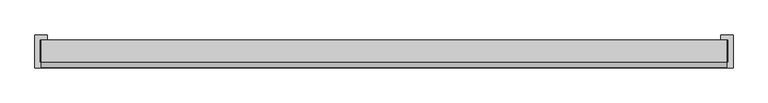
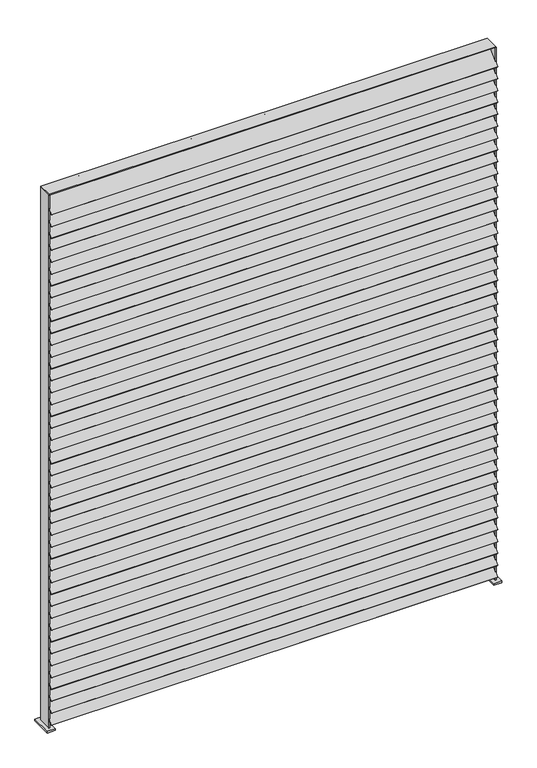
"""IFC4 building model written with IfcOpenShell, lengths in millimetres: railing geometry."""

from ifc_helpers import new_model, si_unit, point, frame, frame_2d, origin, place, context, project, spatial, polyline, circle_curve, trimmed, segment, composite_curve, outline, extrude, source, transform, mapped, element, save


def railing_a278fb8b(model_context):
    return source(origin(), model_context, "Body", "SweptSolid", [
        extrude(outline(polyline([(-21151.4109548, -19466.6793452), (-21151.4109548, -19415.8793452), (-19570.2609548, -19415.8793452), (-19570.2609548, -19466.6793452), (-21151.4109548, -19466.6793452)])), frame((0.0, 0.0, 7650.23108), z_axis=(0.0, 0.0, 1.0), x_axis=(1.0, 0.0, 0.0)), (0.0, 0.0, 1.0), 3.03784),
        extrude(outline(polyline([(0.0, -2.0319999), (0.0, 0.0), (1581.15, 0.0), (1581.15, -2.0319999), (0.0, -2.0319999)])), frame((-21151.4109548, -19477.9707539, 7643.7842504), z_axis=(0.0, 0.7071067811865459, 0.7071067811865492), x_axis=(1.0, 0.0, 0.0)), (0.0, 0.0, 1.0), 69.85),
        extrude(outline(polyline([(0.0, -2.0319999), (0.0, 0.0), (1581.15, 0.0), (1581.15, -2.0319999), (0.0, -2.0319999)])), frame((-21151.4109548, -19477.9707539, 7688.2342504), z_axis=(0.0, 0.7071067811865459, 0.7071067811865492), x_axis=(1.0, 0.0, 0.0)), (0.0, 0.0, 1.0), 69.85),
        extrude(outline(polyline([(0.0, -2.0319999), (0.0, 0.0), (1581.15, 0.0), (1581.15, -2.0319999), (0.0, -2.0319999)])), frame((-21151.4109548, -19477.9707539, 7732.6842504), z_axis=(0.0, 0.7071067811865459, 0.7071067811865492), x_axis=(1.0, 0.0, 0.0)), (0.0, 0.0, 1.0), 69.85),
        extrude(outline(polyline([(0.0, -2.0319999), (0.0, 0.0), (1581.15, 0.0), (1581.15, -2.0319999), (0.0, -2.0319999)])), frame((-21151.4109548, -19477.9707539, 7777.1342504), z_axis=(0.0, 0.7071067811865459, 0.7071067811865492), x_axis=(1.0, 0.0, 0.0)), (0.0, 0.0, 1.0), 69.85),
        extrude(outline(polyline([(0.0, -2.0319999), (0.0, 0.0), (1581.15, 0.0), (1581.15, -2.0319999), (0.0, -2.0319999)])), frame((-21151.4109548, -19477.9707539, 7821.5842504), z_axis=(0.0, 0.7071067811865459, 0.7071067811865492), x_axis=(1.0, 0.0, 0.0)), (0.0, 0.0, 1.0), 69.85),
        extrude(outline(polyline([(0.0, -2.0319999), (0.0, 0.0), (1581.15, 0.0), (1581.15, -2.0319999), (0.0, -2.0319999)])), frame((-21151.4109548, -19477.9707539, 7866.0342504), z_axis=(0.0, 0.7071067811865459, 0.7071067811865492), x_axis=(1.0, 0.0, 0.0)), (0.0, 0.0, 1.0), 69.85),
        extrude(outline(polyline([(0.0, -2.0319999), (0.0, 0.0), (1581.15, 0.0), (1581.15, -2.0319999), (0.0, -2.0319999)])), frame((-21151.4109548, -19477.9707539, 7910.4842504), z_axis=(0.0, 0.7071067811865459, 0.7071067811865492), x_axis=(1.0, 0.0, 0.0)), (0.0, 0.0, 1.0), 69.85),
        extrude(outline(polyline([(0.0, -2.0319999), (0.0, 0.0), (1581.15, 0.0), (1581.15, -2.0319999), (0.0, -2.0319999)])), frame((-21151.4109548, -19477.9707539, 7954.9342504), z_axis=(0.0, 0.7071067811865459, 0.7071067811865492), x_axis=(1.0, 0.0, 0.0)), (0.0, 0.0, 1.0), 69.85),
        extrude(outline(polyline([(0.0, -2.0319999), (0.0, 0.0), (1581.15, 0.0), (1581.15, -2.0319999), (0.0, -2.0319999)])), frame((-21151.4109548, -19477.9707539, 7999.3842504), z_axis=(0.0, 0.7071067811865459, 0.7071067811865492), x_axis=(1.0, 0.0, 0.0)), (0.0, 0.0, 1.0), 69.85),
        extrude(outline(polyline([(0.0, -2.0319999), (0.0, 0.0), (1581.15, 0.0), (1581.15, -2.0319999), (0.0, -2.0319999)])), frame((-21151.4109548, -19477.9707539, 8043.8342504), z_axis=(0.0, 0.7071067811865459, 0.7071067811865492), x_axis=(1.0, 0.0, 0.0)), (0.0, 0.0, 1.0), 69.85),
        extrude(outline(polyline([(0.0, -2.0319999), (0.0, 0.0), (1581.15, 0.0), (1581.15, -2.0319999), (0.0, -2.0319999)])), frame((-21151.4109548, -19477.9707539, 8088.2842504), z_axis=(0.0, 0.7071067811865459, 0.7071067811865492), x_axis=(1.0, 0.0, 0.0)), (0.0, 0.0, 1.0), 69.85),
        extrude(outline(polyline([(0.0, -2.0319999), (0.0, 0.0), (1581.15, 0.0), (1581.15, -2.0319999), (0.0, -2.0319999)])), frame((-21151.4109548, -19477.9707539, 8132.7342504), z_axis=(0.0, 0.7071067811865459, 0.7071067811865492), x_axis=(1.0, 0.0, 0.0)), (0.0, 0.0, 1.0), 69.85),
        extrude(outline(polyline([(0.0, -2.0319999), (0.0, 0.0), (1581.15, 0.0), (1581.15, -2.0319999), (0.0, -2.0319999)])), frame((-21151.4109548, -19477.9707539, 8177.1842504), z_axis=(0.0, 0.7071067811865459, 0.7071067811865492), x_axis=(1.0, 0.0, 0.0)), (0.0, 0.0, 1.0), 69.85),
        extrude(outline(polyline([(0.0, -2.0319999), (0.0, 0.0), (1581.15, 0.0), (1581.15, -2.0319999), (0.0, -2.0319999)])), frame((-21151.4109548, -19477.9707539, 8221.6342504), z_axis=(0.0, 0.7071067811865459, 0.7071067811865492), x_axis=(1.0, 0.0, 0.0)), (0.0, 0.0, 1.0), 69.85),
        extrude(outline(polyline([(0.0, -2.0319999), (0.0, 0.0), (1581.15, 0.0), (1581.15, -2.0319999), (0.0, -2.0319999)])), frame((-21151.4109548, -19477.9707539, 8266.0842504), z_axis=(0.0, 0.7071067811865459, 0.7071067811865492), x_axis=(1.0, 0.0, 0.0)), (0.0, 0.0, 1.0), 69.85),
        extrude(outline(polyline([(0.0, -2.0319999), (0.0, 0.0), (1581.15, 0.0), (1581.15, -2.0319999), (0.0, -2.0319999)])), frame((-21151.4109548, -19477.9707539, 8310.5342504), z_axis=(0.0, 0.7071067811865459, 0.7071067811865492), x_axis=(1.0, 0.0, 0.0)), (0.0, 0.0, 1.0), 69.85),
        extrude(outline(polyline([(0.0, -2.0319999), (0.0, 0.0), (1581.15, 0.0), (1581.15, -2.0319999), (0.0, -2.0319999)])), frame((-21151.4109548, -19477.9707539, 8354.9842504), z_axis=(0.0, 0.7071067811865459, 0.7071067811865492), x_axis=(1.0, 0.0, 0.0)), (0.0, 0.0, 1.0), 69.85),
        extrude(outline(polyline([(0.0, -2.0319999), (0.0, 0.0), (1581.15, 0.0), (1581.15, -2.0319999), (0.0, -2.0319999)])), frame((-21151.4109548, -19477.9707539, 8399.4342504), z_axis=(0.0, 0.7071067811865459, 0.7071067811865492), x_axis=(1.0, 0.0, 0.0)), (0.0, 0.0, 1.0), 69.85),
        extrude(outline(polyline([(0.0, -2.0319999), (0.0, 0.0), (1581.15, 0.0), (1581.15, -2.0319999), (0.0, -2.0319999)])), frame((-21151.4109548, -19477.9707539, 8443.8842504), z_axis=(0.0, 0.7071067811865459, 0.7071067811865492), x_axis=(1.0, 0.0, 0.0)), (0.0, 0.0, 1.0), 69.85),
        extrude(outline(polyline([(0.0, -2.0319999), (0.0, 0.0), (1581.15, 0.0), (1581.15, -2.0319999), (0.0, -2.0319999)])), frame((-21151.4109548, -19477.9707539, 8488.3342504), z_axis=(0.0, 0.7071067811865459, 0.7071067811865492), x_axis=(1.0, 0.0, 0.0)), (0.0, 0.0, 1.0), 69.85),
        extrude(outline(polyline([(0.0, -2.0319999), (0.0, 0.0), (1581.15, 0.0), (1581.15, -2.0319999), (0.0, -2.0319999)])), frame((-21151.4109548, -19477.9707539, 8532.7842504), z_axis=(0.0, 0.7071067811865459, 0.7071067811865492), x_axis=(1.0, 0.0, 0.0)), (0.0, 0.0, 1.0), 69.85),
        extrude(outline(polyline([(0.0, -2.0319999), (0.0, 0.0), (1581.15, 0.0), (1581.15, -2.0319999), (0.0, -2.0319999)])), frame((-21151.4109548, -19477.9707539, 8577.2342504), z_axis=(0.0, 0.7071067811865459, 0.7071067811865492), x_axis=(1.0, 0.0, 0.0)), (0.0, 0.0, 1.0), 69.85),
        extrude(outline(polyline([(0.0, -2.0319999), (0.0, 0.0), (1581.15, 0.0), (1581.15, -2.0319999), (0.0, -2.0319999)])), frame((-21151.4109548, -19477.9707539, 8621.6842504), z_axis=(0.0, 0.7071067811865459, 0.7071067811865492), x_axis=(1.0, 0.0, 0.0)), (0.0, 0.0, 1.0), 69.85),
        extrude(outline(polyline([(0.0, -2.0319999), (0.0, 0.0), (1581.15, 0.0), (1581.15, -2.0319999), (0.0, -2.0319999)])), frame((-21151.4109548, -19477.9707539, 8666.1342504), z_axis=(0.0, 0.7071067811865459, 0.7071067811865492), x_axis=(1.0, 0.0, 0.0)), (0.0, 0.0, 1.0), 69.85),
        extrude(outline(polyline([(0.0, -2.0319999), (0.0, 0.0), (1581.15, 0.0), (1581.15, -2.0319999), (0.0, -2.0319999)])), frame((-21151.4109548, -19477.9707539, 8710.5842504), z_axis=(0.0, 0.7071067811865459, 0.7071067811865492), x_axis=(1.0, 0.0, 0.0)), (0.0, 0.0, 1.0), 69.85),
        extrude(outline(polyline([(0.0, -2.0319999), (0.0, 0.0), (1581.15, 0.0), (1581.15, -2.0319999), (0.0, -2.0319999)])), frame((-21151.4109548, -19477.9707539, 8755.0342504), z_axis=(0.0, 0.7071067811865459, 0.7071067811865492), x_axis=(1.0, 0.0, 0.0)), (0.0, 0.0, 1.0), 69.85),
        extrude(outline(polyline([(0.0, -2.0319999), (0.0, 0.0), (1581.15, 0.0), (1581.15, -2.0319999), (0.0, -2.0319999)])), frame((-21151.4109548, -19477.9707539, 8799.4842504), z_axis=(0.0, 0.7071067811865459, 0.7071067811865492), x_axis=(1.0, 0.0, 0.0)), (0.0, 0.0, 1.0), 69.85),
        extrude(outline(polyline([(0.0, -2.0319999), (0.0, 0.0), (1581.15, 0.0), (1581.15, -2.0319999), (0.0, -2.0319999)])), frame((-21151.4109548, -19477.9707539, 8843.9342504), z_axis=(0.0, 0.7071067811865459, 0.7071067811865492), x_axis=(1.0, 0.0, 0.0)), (0.0, 0.0, 1.0), 69.85),
        extrude(outline(polyline([(0.0, -2.0319999), (0.0, 0.0), (1581.15, 0.0), (1581.15, -2.0319999), (0.0, -2.0319999)])), frame((-21151.4109548, -19477.9707539, 8888.3842504), z_axis=(0.0, 0.7071067811865459, 0.7071067811865492), x_axis=(1.0, 0.0, 0.0)), (0.0, 0.0, 1.0), 69.85),
        extrude(outline(polyline([(0.0, -2.0319999), (0.0, 0.0), (1581.15, 0.0), (1581.15, -2.0319999), (0.0, -2.0319999)])), frame((-21151.4109548, -19477.9707539, 8932.8342504), z_axis=(0.0, 0.7071067811865459, 0.7071067811865492), x_axis=(1.0, 0.0, 0.0)), (0.0, 0.0, 1.0), 69.85),
        extrude(outline(polyline([(0.0, -2.0319999), (0.0, 0.0), (1581.15, 0.0), (1581.15, -2.0319999), (0.0, -2.0319999)])), frame((-21151.4109548, -19477.9707539, 8977.2842504), z_axis=(0.0, 0.7071067811865459, 0.7071067811865492), x_axis=(1.0, 0.0, 0.0)), (0.0, 0.0, 1.0), 69.85),
        extrude(outline(polyline([(0.0, -2.0319999), (0.0, 0.0), (1581.15, 0.0), (1581.15, -2.0319999), (0.0, -2.0319999)])), frame((-21151.4109548, -19477.9707539, 9021.7342504), z_axis=(0.0, 0.7071067811865459, 0.7071067811865492), x_axis=(1.0, 0.0, 0.0)), (0.0, 0.0, 1.0), 69.85),
        extrude(outline(polyline([(0.0, -2.0319999), (0.0, 0.0), (1581.15, 0.0), (1581.15, -2.0319999), (0.0, -2.0319999)])), frame((-21151.4109548, -19477.9707539, 9066.1842504), z_axis=(0.0, 0.7071067811865459, 0.7071067811865492), x_axis=(1.0, 0.0, 0.0)), (0.0, 0.0, 1.0), 69.85),
        extrude(outline(polyline([(0.0, -2.0319999), (0.0, 0.0), (1581.15, 0.0), (1581.15, -2.0319999), (0.0, -2.0319999)])), frame((-21151.4109548, -19477.9707539, 9110.6342504), z_axis=(0.0, 0.7071067811865459, 0.7071067811865492), x_axis=(1.0, 0.0, 0.0)), (0.0, 0.0, 1.0), 69.85),
        extrude(outline(polyline([(0.0, -2.0319999), (0.0, 0.0), (1581.15, 0.0), (1581.15, -2.0319999), (0.0, -2.0319999)])), frame((-21151.4109548, -19477.9707539, 9155.0842504), z_axis=(0.0, 0.7071067811865459, 0.7071067811865492), x_axis=(1.0, 0.0, 0.0)), (0.0, 0.0, 1.0), 69.85),
        extrude(outline(polyline([(0.0, -2.0319999), (0.0, 0.0), (1581.15, 0.0), (1581.15, -2.0319999), (0.0, -2.0319999)])), frame((-21151.4109548, -19477.9707539, 9199.5342504), z_axis=(0.0, 0.7071067811865459, 0.7071067811865492), x_axis=(1.0, 0.0, 0.0)), (0.0, 0.0, 1.0), 69.85),
        extrude(outline(polyline([(0.0, -2.0319999), (0.0, 0.0), (1581.15, 0.0), (1581.15, -2.0319999), (0.0, -2.0319999)])), frame((-21151.4109548, -19477.9707539, 9243.9842504), z_axis=(0.0, 0.7071067811865459, 0.7071067811865492), x_axis=(1.0, 0.0, 0.0)), (0.0, 0.0, 1.0), 69.85),
        extrude(outline(polyline([(0.0, -2.0319999), (0.0, 0.0), (1581.15, 0.0), (1581.15, -2.0319999), (0.0, -2.0319999)])), frame((-21151.4109548, -19477.9707539, 9288.4342504), z_axis=(0.0, 0.7071067811865459, 0.7071067811865492), x_axis=(1.0, 0.0, 0.0)), (0.0, 0.0, 1.0), 69.85),
        extrude(outline(polyline([(0.0, -2.0319999), (0.0, 0.0), (1581.15, 0.0), (1581.15, -2.0319999), (0.0, -2.0319999)])), frame((-21151.4109548, -19477.9707539, 9332.8842504), z_axis=(0.0, 0.7071067811865459, 0.7071067811865492), x_axis=(1.0, 0.0, 0.0)), (0.0, 0.0, 1.0), 69.85),
        extrude(outline(polyline([(0.0, -2.0319999), (0.0, 0.0), (1581.15, 0.0), (1581.15, -2.0319999), (0.0, -2.0319999)])), frame((-21151.4109548, -19477.9707539, 9377.3342504), z_axis=(0.0, 0.7071067811865459, 0.7071067811865492), x_axis=(1.0, 0.0, 0.0)), (0.0, 0.0, 1.0), 69.85),
        extrude(outline(polyline([(0.0, -2.0319999), (0.0, 0.0), (1581.15, 0.0), (1581.15, -2.0319999), (0.0, -2.0319999)])), frame((-21151.4109548, -19477.9707539, 9421.7842504), z_axis=(0.0, 0.7071067811865459, 0.7071067811865492), x_axis=(1.0, 0.0, 0.0)), (0.0, 0.0, 1.0), 69.85),
        extrude(outline(polyline([(0.0, -2.0319999), (0.0, 0.0), (1581.15, 0.0), (1581.15, -2.0319999), (0.0, -2.0319999)])), frame((-21151.4109548, -19477.9707539, 9466.2342504), z_axis=(0.0, 0.7071067811865459, 0.7071067811865492), x_axis=(1.0, 0.0, 0.0)), (0.0, 0.0, 1.0), 69.85),
        extrude(outline(polyline([(0.0, -2.0319999), (0.0, 0.0), (1581.15, 0.0), (1581.15, -2.0319999), (0.0, -2.0319999)])), frame((-21151.4109548, -19477.9707539, 9510.6842504), z_axis=(0.0, 0.7071067811865459, 0.7071067811865492), x_axis=(1.0, 0.0, 0.0)), (0.0, 0.0, 1.0), 69.85),
        extrude(outline(polyline([(0.0, -2.0319999), (0.0, 0.0), (1581.15, 0.0), (1581.15, -2.0319999), (0.0, -2.0319999)])), frame((-21151.4109548, -19477.9707539, 9555.1342504), z_axis=(0.0, 0.7071067811865459, 0.7071067811865492), x_axis=(1.0, 0.0, 0.0)), (0.0, 0.0, 1.0), 69.85),
        extrude(outline(polyline([(-21151.4109548, -19466.6793452), (-21151.4109548, -19415.8793452), (-19570.2609548, -19415.8793452), (-19570.2609548, -19466.6793452), (-21151.4109548, -19466.6793452)])), frame((0.0, 0.0, 9621.90608), z_axis=(0.0, 0.0, 1.0), x_axis=(1.0, 0.0, 0.0)), (0.0, 0.0, 1.0), 3.03784),
        extrude(outline(composite_curve([segment(trimmed(circle_curve(frame_2d((-19702.0234548, -19422.2293452)), 2.0828), [point((-19702.0234548, -19424.3121452))], [point((-19702.0234548, -19420.1465452))], False, "CARTESIAN"), True, "CONTINUOUS"), segment(trimmed(circle_curve(frame_2d((-19702.0234548, -19422.2293452)), 2.0828), [point((-19702.0234548, -19420.1465452))], [point((-19702.0234548, -19424.3121452))], False, "CARTESIAN"), True, "CONTINUOUS")], self_intersect=False)), frame((0.0, 0.0, 7650.1625), z_axis=(0.0, 0.0, 1.0), x_axis=(1.0, 0.0, 0.0)), (0.0, 0.0, 1.0), 1971.74358),
        extrude(outline(composite_curve([segment(trimmed(circle_curve(frame_2d((-19833.7859548, -19422.2293452)), 2.0828), [point((-19833.7859548, -19424.3121452))], [point((-19833.7859548, -19420.1465452))], False, "CARTESIAN"), True, "CONTINUOUS"), segment(trimmed(circle_curve(frame_2d((-19833.7859548, -19422.2293452)), 2.0828), [point((-19833.7859548, -19420.1465452))], [point((-19833.7859548, -19424.3121452))], False, "CARTESIAN"), True, "CONTINUOUS")], self_intersect=False)), frame((0.0, 0.0, 7650.1625), z_axis=(0.0, 0.0, 1.0), x_axis=(1.0, 0.0, 0.0)), (0.0, 0.0, 1.0), 1971.74358),
        extrude(outline(composite_curve([segment(trimmed(circle_curve(frame_2d((-19965.5484548, -19422.2293452)), 2.0828), [point((-19965.5484548, -19424.3121452))], [point((-19965.5484548, -19420.1465452))], False, "CARTESIAN"), True, "CONTINUOUS"), segment(trimmed(circle_curve(frame_2d((-19965.5484548, -19422.2293452)), 2.0828), [point((-19965.5484548, -19420.1465452))], [point((-19965.5484548, -19424.3121452))], False, "CARTESIAN"), True, "CONTINUOUS")], self_intersect=False)), frame((0.0, 0.0, 7650.1625), z_axis=(0.0, 0.0, 1.0), x_axis=(1.0, 0.0, 0.0)), (0.0, 0.0, 1.0), 1971.74358),
        extrude(outline(composite_curve([segment(trimmed(circle_curve(frame_2d((-20097.3109548, -19422.2293452)), 2.0828), [point((-20097.3109548, -19424.3121452))], [point((-20097.3109548, -19420.1465452))], False, "CARTESIAN"), True, "CONTINUOUS"), segment(trimmed(circle_curve(frame_2d((-20097.3109548, -19422.2293452)), 2.0828), [point((-20097.3109548, -19420.1465452))], [point((-20097.3109548, -19424.3121452))], False, "CARTESIAN"), True, "CONTINUOUS")], self_intersect=False)), frame((0.0, 0.0, 7650.1625), z_axis=(0.0, 0.0, 1.0), x_axis=(1.0, 0.0, 0.0)), (0.0, 0.0, 1.0), 1971.74358),
        extrude(outline(composite_curve([segment(trimmed(circle_curve(frame_2d((-20229.0734548, -19422.2293452)), 2.0828), [point((-20229.0734548, -19424.3121452))], [point((-20229.0734548, -19420.1465452))], False, "CARTESIAN"), True, "CONTINUOUS"), segment(trimmed(circle_curve(frame_2d((-20229.0734548, -19422.2293452)), 2.0828), [point((-20229.0734548, -19420.1465452))], [point((-20229.0734548, -19424.3121452))], False, "CARTESIAN"), True, "CONTINUOUS")], self_intersect=False)), frame((0.0, 0.0, 7650.1625), z_axis=(0.0, 0.0, 1.0), x_axis=(1.0, 0.0, 0.0)), (0.0, 0.0, 1.0), 1971.74358),
        extrude(outline(composite_curve([segment(trimmed(circle_curve(frame_2d((-20360.8359548, -19422.2293452)), 2.0828), [point((-20360.8359548, -19424.3121452))], [point((-20360.8359548, -19420.1465452))], False, "CARTESIAN"), True, "CONTINUOUS"), segment(trimmed(circle_curve(frame_2d((-20360.8359548, -19422.2293452)), 2.0828), [point((-20360.8359548, -19420.1465452))], [point((-20360.8359548, -19424.3121452))], False, "CARTESIAN"), True, "CONTINUOUS")], self_intersect=False)), frame((0.0, 0.0, 7650.1625), z_axis=(0.0, 0.0, 1.0), x_axis=(1.0, 0.0, 0.0)), (0.0, 0.0, 1.0), 1971.74358),
        extrude(outline(composite_curve([segment(trimmed(circle_curve(frame_2d((-20492.5984548, -19422.2293452)), 2.0828), [point((-20492.5984548, -19424.3121452))], [point((-20492.5984548, -19420.1465452))], False, "CARTESIAN"), True, "CONTINUOUS"), segment(trimmed(circle_curve(frame_2d((-20492.5984548, -19422.2293452)), 2.0828), [point((-20492.5984548, -19420.1465452))], [point((-20492.5984548, -19424.3121452))], False, "CARTESIAN"), True, "CONTINUOUS")], self_intersect=False)), frame((0.0, 0.0, 7650.1625), z_axis=(0.0, 0.0, 1.0), x_axis=(1.0, 0.0, 0.0)), (0.0, 0.0, 1.0), 1971.74358),
        extrude(outline(composite_curve([segment(trimmed(circle_curve(frame_2d((-20624.3609548, -19422.2293452)), 2.0828), [point((-20624.3609548, -19424.3121452))], [point((-20624.3609548, -19420.1465452))], False, "CARTESIAN"), True, "CONTINUOUS"), segment(trimmed(circle_curve(frame_2d((-20624.3609548, -19422.2293452)), 2.0828), [point((-20624.3609548, -19420.1465452))], [point((-20624.3609548, -19424.3121452))], False, "CARTESIAN"), True, "CONTINUOUS")], self_intersect=False)), frame((0.0, 0.0, 7650.1625), z_axis=(0.0, 0.0, 1.0), x_axis=(1.0, 0.0, 0.0)), (0.0, 0.0, 1.0), 1971.74358),
        extrude(outline(composite_curve([segment(trimmed(circle_curve(frame_2d((-20756.1234548, -19422.2293452)), 2.0828), [point((-20756.1234548, -19424.3121452))], [point((-20756.1234548, -19420.1465452))], False, "CARTESIAN"), True, "CONTINUOUS"), segment(trimmed(circle_curve(frame_2d((-20756.1234548, -19422.2293452)), 2.0828), [point((-20756.1234548, -19420.1465452))], [point((-20756.1234548, -19424.3121452))], False, "CARTESIAN"), True, "CONTINUOUS")], self_intersect=False)), frame((0.0, 0.0, 7650.1625), z_axis=(0.0, 0.0, 1.0), x_axis=(1.0, 0.0, 0.0)), (0.0, 0.0, 1.0), 1971.74358),
        extrude(outline(composite_curve([segment(trimmed(circle_curve(frame_2d((-20887.8859548, -19422.2293452)), 2.0828), [point((-20887.8859548, -19424.3121452))], [point((-20887.8859548, -19420.1465452))], False, "CARTESIAN"), True, "CONTINUOUS"), segment(trimmed(circle_curve(frame_2d((-20887.8859548, -19422.2293452)), 2.0828), [point((-20887.8859548, -19420.1465452))], [point((-20887.8859548, -19424.3121452))], False, "CARTESIAN"), True, "CONTINUOUS")], self_intersect=False)), frame((0.0, 0.0, 7650.1625), z_axis=(0.0, 0.0, 1.0), x_axis=(1.0, 0.0, 0.0)), (0.0, 0.0, 1.0), 1971.74358),
        extrude(outline(composite_curve([segment(trimmed(circle_curve(frame_2d((-21019.6484548, -19422.2293452)), 2.0828), [point((-21019.6484548, -19424.3121452))], [point((-21019.6484548, -19420.1465452))], False, "CARTESIAN"), True, "CONTINUOUS"), segment(trimmed(circle_curve(frame_2d((-21019.6484548, -19422.2293452)), 2.0828), [point((-21019.6484548, -19420.1465452))], [point((-21019.6484548, -19424.3121452))], False, "CARTESIAN"), True, "CONTINUOUS")], self_intersect=False)), frame((0.0, 0.0, 7650.1625), z_axis=(0.0, 0.0, 1.0), x_axis=(1.0, 0.0, 0.0)), (0.0, 0.0, 1.0), 1971.74358),
        extrude(outline(polyline([(-19571.6427148, -19415.8793452), (-19568.6048748, -19415.8793452), (-19568.6048748, -19466.6793452), (-19571.6427148, -19466.6793452), (-19571.6427148, -19415.8793452)])), frame((0.0, 0.0, 7620.0), z_axis=(0.0, 0.0, 1.0), x_axis=(1.0, 0.0, 0.0)), (0.0, 0.0, 1.0), 2001.90608),
        extrude(outline(polyline([(-19584.3427148, -19403.1793452), (-19555.9048748, -19403.1793452), (-19555.9048748, -19479.3793452), (-19584.3427148, -19479.3793452), (-19584.3427148, -19403.1793452)])), frame((0.0, 0.0, 7620.0), z_axis=(0.0, 0.0, 1.0), x_axis=(1.0, 0.0, 0.0)), (0.0, 0.0, 1.0), 6.35),
        extrude(outline(polyline([(-21152.7927148, -19415.8793452), (-21149.7548748, -19415.8793452), (-21149.7548748, -19466.6793452), (-21152.7927148, -19466.6793452), (-21152.7927148, -19415.8793452)])), frame((0.0, 0.0, 7620.0), z_axis=(0.0, 0.0, 1.0), x_axis=(1.0, 0.0, 0.0)), (0.0, 0.0, 1.0), 2001.90608),
        extrude(outline(polyline([(-21165.4927148, -19403.1793452), (-21137.0548748, -19403.1793452), (-21137.0548748, -19479.3793452), (-21165.4927148, -19479.3793452), (-21165.4927148, -19403.1793452)])), frame((0.0, 0.0, 7620.0), z_axis=(0.0, 0.0, 1.0), x_axis=(1.0, 0.0, 0.0)), (0.0, 0.0, 1.0), 6.35),
    ])


if __name__ == "__main__":
    model = new_model("IFC4")
    model_context = context("Model", 3, world=origin())
    ifc_project = project(units=[si_unit("LENGTHUNIT", "METRE", prefix="MILLI")], contexts=[model_context])
    site = spatial("IfcSite", under=ifc_project)
    building = spatial("IfcBuilding", under=site)
    placement = place(None, origin())
    railing_shape = railing_a278fb8b(model_context)
    element("IfcRailing", 1, at=placement, inside=building, context=model_context, shape_type="MappedRepresentation", body=[
        mapped(railing_shape, transform((0.0, 0.0, 0.0), x_axis=(1.0, 0.0, 0.0), y_axis=(0.0, 1.0, 0.0), z_axis=(0.0, 0.0, 1.0))),
    ])
    save(model, "model.ifc")
